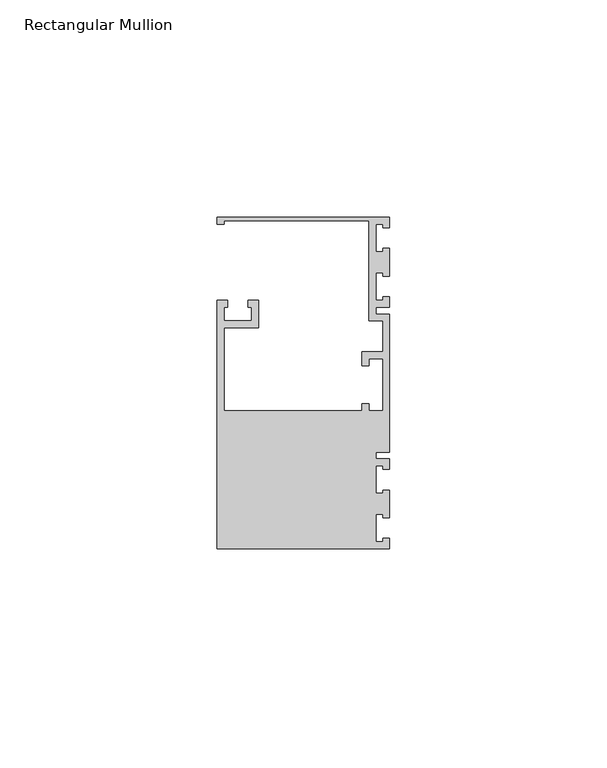
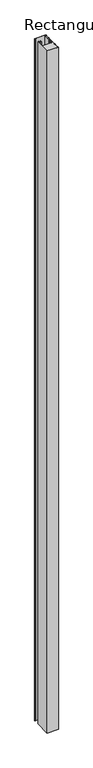
"""IFC4 building model written with IfcOpenShell, lengths in millimetres: member geometry, Rectangular Mullion."""

from ifc_helpers import new_model, si_unit, frame, origin, place, context, project, spatial, polyline, outline, extrude, source, transform, mapped, element, save


def rectangular_mullion_e2b3c57c(model_context):
    return source(origin(), model_context, "Body", "SweptSolid", [
        extrude(outline(polyline([(0.0, 38.1), (0.0, 35.71875), (-1.4999946, 35.71875), (-1.4999946, 36.5125), (-3.175, 36.5125), (-3.175, 30.1625), (-1.4999946, 30.1625), (-1.4999946, 30.95625), (0.0, 30.95625), (0.0, 24.60625), (-1.4999946, 24.60625), (-1.4999946, 25.4), (-3.175, 25.4), (-3.175, 19.05), (-1.4999946, 19.05), (-1.4999946, 19.84375), (0.0, 19.84375), (0.0, 17.4625), (-3.175, 17.4625), (-3.175, 15.875), (0.0, 15.875), (0.0, -15.875), (-3.175, -15.875), (-3.175, -17.4625), (0.0, -17.4625), (0.0, -19.84375), (-1.4999946, -19.84375), (-1.4999946, -19.05), (-3.175, -19.05), (-3.175, -25.4), (-1.4999946, -25.4), (-1.4999946, -24.60625), (0.0, -24.60625), (0.0, -30.95625), (-1.4999946, -30.95625), (-1.4999946, -30.1625), (-3.175, -30.1625), (-3.175, -36.5125), (-1.4999946, -36.5125), (-1.4999946, -35.71875), (0.0, -35.71875), (0.0, -38.1), (-39.6875, -38.1), (-39.6875, 19.05), (-37.30625, 19.05), (-37.30625, 17.4625), (-38.1, 17.4625), (-38.1, 14.2875), (-31.75, 14.2875), (-31.75, 17.4625), (-32.54375, 17.4625), (-32.54375, 19.05), (-30.1625, 19.05), (-30.1625, 12.7), (-38.1, 12.7), (-38.1, -6.35), (-6.35, -6.35), (-6.35, -4.7625), (-4.7625, -4.7625), (-4.7625, -6.35), (-1.5875, -6.35), (-1.5875, 5.55625), (-4.7625, 5.55625), (-4.7625, 3.96875), (-6.35, 3.96875), (-6.35, 7.14375), (-1.5875, 7.14375), (-1.5875, 14.2875), (-4.7625, 14.2875), (-4.7625, 37.30625), (-38.1, 37.30625), (-38.1, 36.5125), (-39.6875, 36.5125), (-39.6875, 38.1), (0.0, 38.1)])), frame((0.0, 0.0, -2551.1125), z_axis=(0.0, 0.0, 1.0), x_axis=(1.0, 0.0, 0.0)), (0.0, 0.0, 1.0), 2551.1125),
    ])


if __name__ == "__main__":
    model = new_model("IFC4")
    model_context = context("Model", 3, world=origin())
    ifc_project = project(units=[si_unit("LENGTHUNIT", "METRE", prefix="MILLI")], contexts=[model_context])
    site = spatial("IfcSite", under=ifc_project)
    building = spatial("IfcBuilding", under=site)
    placement = place(None, origin())
    rectangular_mullion_shape = rectangular_mullion_e2b3c57c(model_context)
    element("IfcMember", 1, ObjectType="Rectangular Mullion", at=placement, inside=building, context=model_context, shape_type="MappedRepresentation", body=[
        mapped(rectangular_mullion_shape, transform((0.0, 0.0, 0.0), x_axis=(1.0, 0.0, 0.0), y_axis=(0.0, 1.0, 0.0), z_axis=(0.0, 0.0, 1.0))),
    ])
    save(model, "model.ifc")
